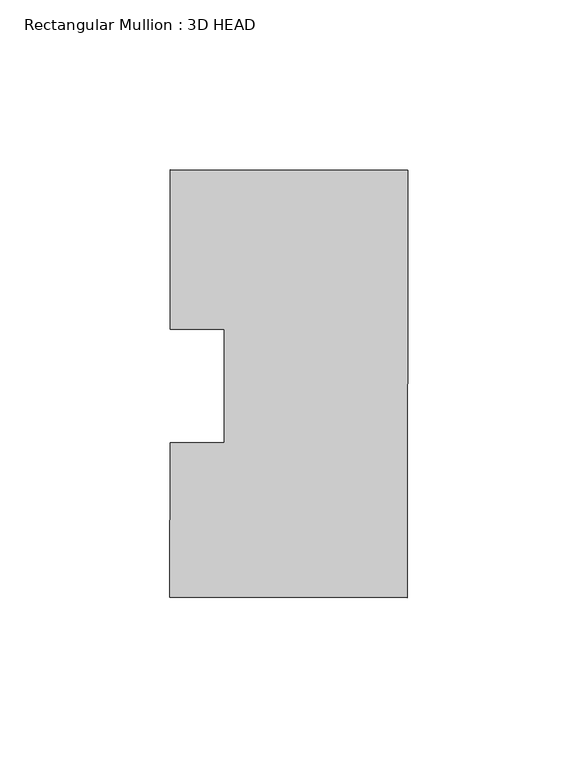
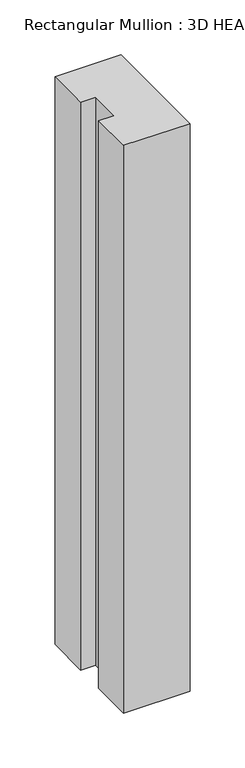
"""IFC4 building model written with IfcOpenShell, lengths in millimetres: member geometry, Rectangular Mullion : 3D HEAD."""

from ifc_helpers import new_model, si_unit, frame, origin, place, context, project, spatial, polyline, outline, extrude, source, transform, mapped, element, save


def rectangular_mullion_3d_head_faaaed37(model_context):
    return source(origin(), model_context, "Body", "SweptSolid", [
        extrude(outline(polyline([(-69.9433395, -16.6773033), (-54.0683503, -16.6957868), (-54.0294719, 16.6957868), (-69.9044612, 16.7142704), (-69.8499527, 63.5301323), (0.0, 63.4488048), (-0.1464486, -62.3319099), (-69.9964013, -62.2505824), (-69.9433395, -16.6773033)])), frame((0.0, 0.0, -631.3931903), z_axis=(0.0, 0.0, 1.0), x_axis=(1.0, 0.0, 0.0)), (0.0, 0.0, 1.0), 631.3931903),
    ])


if __name__ == "__main__":
    model = new_model("IFC4")
    model_context = context("Model", 3, world=origin())
    ifc_project = project(units=[si_unit("LENGTHUNIT", "METRE", prefix="MILLI")], contexts=[model_context])
    site = spatial("IfcSite", under=ifc_project)
    building = spatial("IfcBuilding", under=site)
    placement = place(None, origin())
    rectangular_mullion_3d_head_shape = rectangular_mullion_3d_head_faaaed37(model_context)
    element("IfcMember", 1, ObjectType="Rectangular Mullion : 3D HEAD", at=placement, inside=building, context=model_context, shape_type="MappedRepresentation", body=[
        mapped(rectangular_mullion_3d_head_shape, transform((0.0, 0.0, 0.0), x_axis=(1.0, 0.0, 0.0), y_axis=(0.0, 1.0, 0.0), z_axis=(0.0, 0.0, 1.0))),
    ])
    save(model, "model.ifc")
